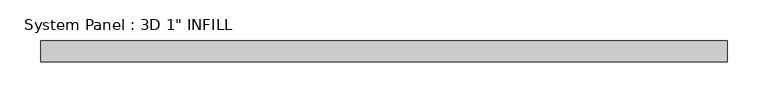
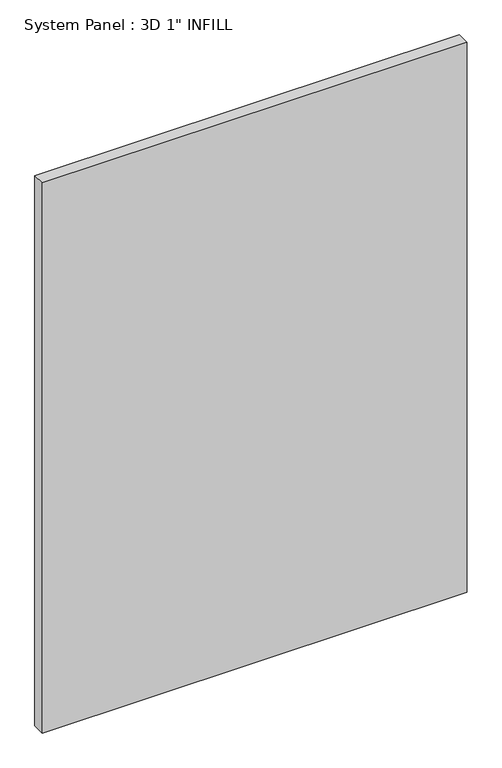
"""IFC4 building model written with IfcOpenShell, lengths in millimetres: plate geometry."""

from ifc_helpers import new_model, si_unit, origin, origin_with_axes, place, context, project, spatial, polyline, outline, extrude, source, transform, mapped, element, save


def plate_25051289(model_context):
    return source(origin(), model_context, "Body", "SweptSolid", [
        extrude(outline(polyline([(420.2009712, -12.7), (-420.2009712, -12.7), (-420.2009712, 12.7), (420.2009712, 12.7), (420.2009712, -12.7)])), origin_with_axes(), (0.0, 0.0, 1.0), 1150.1907666),
    ])


if __name__ == "__main__":
    model = new_model("IFC4")
    model_context = context("Model", 3, world=origin())
    ifc_project = project(units=[si_unit("LENGTHUNIT", "METRE", prefix="MILLI")], contexts=[model_context])
    site = spatial("IfcSite", under=ifc_project)
    building = spatial("IfcBuilding", under=site)
    placement = place(None, origin())
    plate_shape = plate_25051289(model_context)
    element("IfcPlate", 1, ObjectType="System Panel : 3D 1\" INFILL", at=placement, inside=building, context=model_context, shape_type="MappedRepresentation", body=[
        mapped(plate_shape, transform((0.0, 0.0, 0.0), x_axis=(1.0, 0.0, 0.0), y_axis=(0.0, 1.0, 0.0), z_axis=(0.0, 0.0, 1.0))),
    ])
    save(model, "model.ifc")
